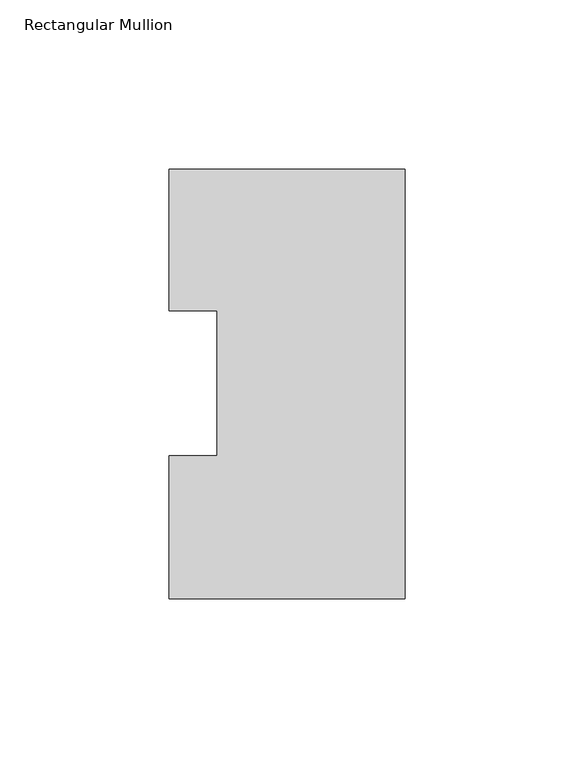
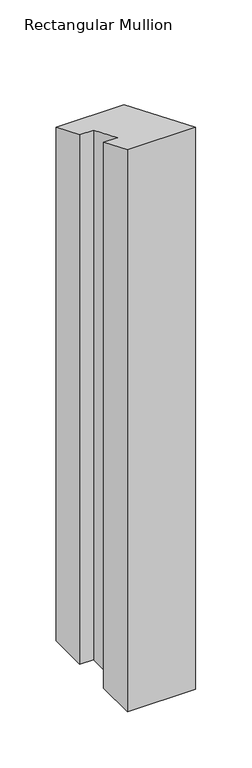
"""IFC4 building model written with IfcOpenShell, lengths in millimetres: member geometry, Rectangular Mullion."""

from ifc_helpers import new_model, si_unit, origin, place, context, project, spatial, faceted_brep, source, transform, mapped, element, save


def rectangular_mullion_ee547dcb(model_context):
    return source(origin(), model_context, "Body", "Brep", [
        faceted_brep([(-69.8489149, 126.9888875, -609.6), (0.0, 126.9888875, -609.6), (0.0, -0.0111125, -609.6), (-69.8489149, -0.0111125, -609.6), (-69.8489149, 42.2798875, -609.6), (-55.5639549, 42.2798875, -609.6), (-55.5639549, 85.1296875, -609.6), (-69.8489149, 85.1296875, -609.6), (-69.8489149, 85.1296875, -35.2618711), (-69.8489149, 126.9888875, -52.6005195), (-55.5639549, 85.1296875, -35.2618711), (-55.5639549, 42.2798875, -17.5129028), (-69.8489149, 42.2798875, -17.5129028), (-69.8489149, -0.0111125, 0.0046029), (0.0, -0.0111125, 0.0046029), (0.0, 126.9888875, -52.6005195)], [[[0, 1, 2, 3, 4, 5, 6, 7]], [[8, 9, 0, 7]], [[10, 8, 7, 6]], [[11, 10, 6, 5]], [[12, 11, 5, 4]], [[13, 12, 4, 3]], [[14, 13, 3, 2]], [[15, 14, 2, 1]], [[9, 15, 1, 0]], [[9, 8, 10, 11, 12, 13, 14, 15]]]),
    ])


if __name__ == "__main__":
    model = new_model("IFC4")
    model_context = context("Model", 3, world=origin())
    ifc_project = project(units=[si_unit("LENGTHUNIT", "METRE", prefix="MILLI")], contexts=[model_context])
    site = spatial("IfcSite", under=ifc_project)
    building = spatial("IfcBuilding", under=site)
    placement = place(None, origin())
    rectangular_mullion_shape = rectangular_mullion_ee547dcb(model_context)
    element("IfcMember", 1, ObjectType="Rectangular Mullion", at=placement, inside=building, context=model_context, shape_type="MappedRepresentation", body=[
        mapped(rectangular_mullion_shape, transform((0.0, 0.0, 0.0), x_axis=(1.0, 0.0, 0.0), y_axis=(0.0, 1.0, 0.0), z_axis=(0.0, 0.0, 1.0))),
    ])
    save(model, "model.ifc")
